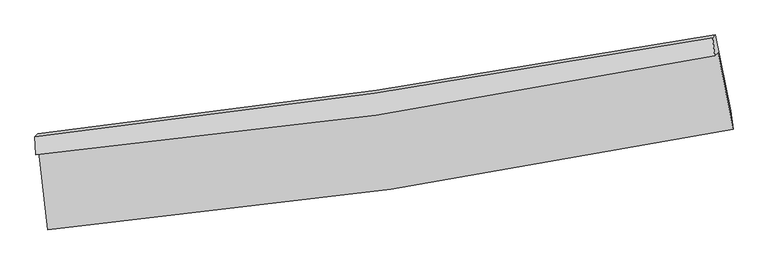
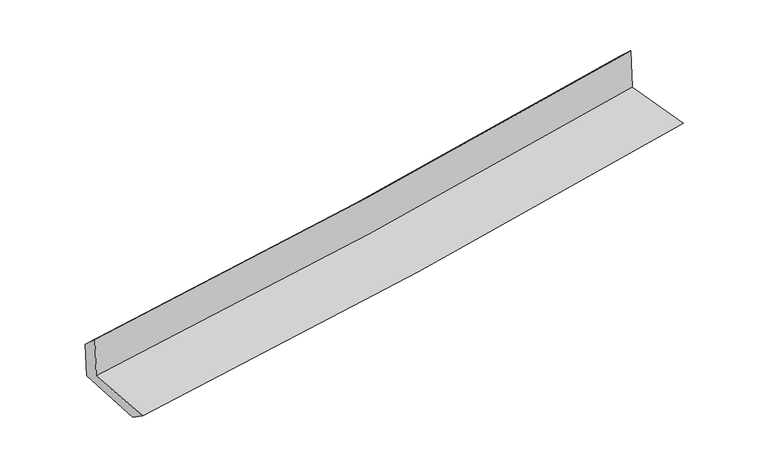
"""IFC4 building model written with IfcOpenShell, lengths in millimetres: proxy geometry."""

from ifc_helpers import new_model, si_unit, frame, origin, place, context, project, spatial, source, transform, mapped, element, save
from ifc_brep_helpers import plane_surface, spline_curve, spline_surface, advanced_brep


def generic_models_a698467e(model_context):
    return source(origin(), model_context, "Body", "AdvancedBrep", [
        advanced_brep(
        [(-2916.8870231, -1893.5718154, 1645.5788341), (-2842.3389684, -2564.4987832, 1608.461744), (2993.1273632, -1707.4953367, 2103.7425366), (2865.7955779, -1054.5873459, 2130.7249143), (-2945.5681617, -1922.5668088, 2050.4160662), (2836.7557881, -1083.9449151, 2540.6245447), (-2950.8683909, -1770.3666799, 1910.9117864), (2819.3494328, -928.0769193, 2393.4370066), (-2926.0107046, -1745.2369784, 1560.0429787), (2842.7240295, -904.4465368, 2063.5021618), (-2850.8216282, -2407.2511326, 1502.6356994), (2971.8303245, -1551.0911918, 2001.3496458)],
        [
            (0, 1),
            (1, 2, spline_curve(3, [(-2842.3389684, -2564.4987832, 1608.461744), (-1865.015324261, -2475.843798971, 1709.124507768), (-890.902753289, -2360.270042764, 1800.673520716), (1054.275052641, -2074.789689675, 1965.830586515), (2025.317925342, -1904.695630095, 2039.375170994), (2993.1273632, -1707.4953367, 2103.7425366)], [4, 2, 4], [0.0, 9.652184502495466, 19.337919560345938])),
            (2, 3),
            (3, 0, spline_curve(3, [(2865.7955779, -1054.5873459, 2130.7249143), (1906.963562784, -1251.720927181, 2069.607995499), (944.815533879, -1420.274891755, 1998.533307263), (-982.768266059, -1699.738730108, 1836.74908082), (-1948.181104424, -1810.846254981, 1746.108408983), (-2916.8870231, -1893.5718154, 1645.5788341)], [4, 2, 4], [0.0, 9.685735057850472, 19.337919560345938])),
            (4, 0),
            (3, 5),
            (5, 4, spline_curve(3, [(2836.7557881, -1083.9449151, 2540.6245447), (1878.105205732, -1280.895078182, 2476.946684611), (916.077727089, -1449.327173685, 2404.170415641), (-1011.386943354, -1728.670578526, 2240.704666221), (-1976.800781549, -1839.779114625, 2150.078109381), (-2945.5681617, -1922.5668088, 2050.4160662)], [4, 2, 4], [0.0, 9.640418924972824, 19.24744426578751])),
            (6, 4),
            (5, 7),
            (7, 6, spline_curve(3, [(2819.3494328, -928.0769193, 2393.4370066), (1860.779167858, -1102.820066444, 2314.05090546), (899.804126413, -1260.474635267, 2234.076637648), (-1023.618445964, -1541.119706802, 2073.230830114), (-1986.049345314, -1664.228391747, 1992.363357777), (-2950.8683909, -1770.3666799, 1910.9117864)], [4, 2, 4], [0.0, 9.62838609698208, 19.223420290489955])),
            (8, 6),
            (7, 9),
            (9, 8, spline_curve(3, [(2842.7240295, -904.4465368, 2063.5021618), (1884.165869176, -1079.177446812, 1983.945202658), (923.320889407, -1236.700530457, 1902.13509875), (-999.606503875, -1516.84500473, 1734.299788933), (-1961.673101968, -1639.585401419, 1648.290164908), (-2926.0107046, -1745.2369784, 1560.0429787)], [4, 2, 4], [0.0, 9.617063123486721, 19.20081356530809])),
            (10, 8),
            (9, 11),
            (11, 10, spline_curve(3, [(2971.8303245, -1551.0911918, 2001.3496458), (2005.441875457, -1737.024182546, 1925.135444118), (1036.179838114, -1901.423828411, 1845.390628913), (-904.724019699, -2186.661554577, 1679.128229829), (-1876.345966241, -2307.648555385, 1592.635062798), (-2850.8216282, -2407.2511326, 1502.6356994)], [4, 2, 4], [0.0, 9.662847141920176, 19.292223010262703])),
            (1, 10),
            (11, 2),
        ],
        [
            spline_surface(3, 3, [[(-2916.8870231, -1893.5718154, 1645.5788341), (-1948.18110431, -1810.846254928, 1746.108409122), (-982.768266074, -1699.738729981, 1836.749080901), (944.815533894, -1420.274891883, 1998.533307182), (1906.963562692, -1251.720927046, 2069.607995518), (2865.7955779, -1054.5873459, 2130.7249143)], [(-2892.037671554, -2117.214137981, 1633.206470727), (-1920.459177655, -2032.512102932, 1733.780442016), (-952.146428459, -1919.915834291, 1824.723894225), (981.302040105, -1638.446491097, 1987.632400281), (1946.415016906, -1469.379161412, 2059.530387345), (2908.239506334, -1272.223342856, 2121.730788405)], [(-2867.188319946, -2340.856460619, 1620.834107373), (-1892.737250938, -2254.177950992, 1721.452474927), (-921.524590817, -2140.092938602, 1812.698707489), (1017.788546343, -1856.618090313, 1976.731493319), (1985.866471119, -1687.037395712, 2049.452779156), (2950.683434766, -1489.859339744, 2112.736662495)], [(-2842.3389684, -2564.4987832, 1608.461744), (-1865.015324282, -2475.843798996, 1709.12450782), (-890.902753202, -2360.270042912, 1800.673520813), (1054.275052554, -2074.789689527, 1965.830586418), (2025.317925333, -1904.695630078, 2039.375170983), (2993.1273632, -1707.4953367, 2103.7425366)]], [4, 4], [4, 2, 4], [0.0, 2.185256499189293], [0.0, 9.652184502495466, 19.337919560345938]),
            spline_surface(3, 3, [[(-2945.5681617, -1922.5668088, 2050.4160662), (-1976.800781653, -1839.779114507, 2150.078109233), (-1011.386943446, -1728.670578674, 2240.70466632), (916.077727181, -1449.327173537, 2404.170415542), (1878.105205594, -1280.895078145, 2476.946684606), (2836.7557881, -1083.9449151, 2540.6245447)], [(-2936.007782164, -1912.901811005, 1915.47032217), (-1967.260889203, -1830.134827986, 2015.421542533), (-1001.847384317, -1719.026629122, 2106.052804487), (925.65699609, -1439.643079664, 2268.958046062), (1887.724657955, -1271.170361097, 2341.167121548), (2846.435718029, -1074.159058685, 2403.991334538)], [(-2926.447402636, -1903.236813195, 1780.52457813), (-1957.720996761, -1820.490541449, 1880.764975823), (-992.307825202, -1709.382679533, 1971.400942733), (935.236264985, -1429.958985755, 2133.745676661), (1897.34411033, -1261.445644094, 2205.387558576), (2856.115647971, -1064.373202315, 2267.358124462)], [(-2916.8870231, -1893.5718154, 1645.5788341), (-1948.18110431, -1810.846254928, 1746.108409122), (-982.768266074, -1699.738729981, 1836.749080901), (944.815533894, -1420.274891883, 1998.533307182), (1906.963562692, -1251.720927046, 2069.607995518), (2865.7955779, -1054.5873459, 2130.7249143)]], [4, 4], [4, 2, 4], [0.0, 1.3348037988190293], [0.0, 9.607025340814687, 19.24744426578751]),
            spline_surface(3, 3, [[(-2950.8683909, -1770.3666799, 1910.9117864), (-1986.049345462, -1664.228391864, 1992.363357735), (-1023.618445916, -1541.11970694, 2073.230830023), (899.804126365, -1260.474635129, 2234.076637739), (1860.779168013, -1102.820066473, 2314.050905541), (2819.3494328, -928.0769193, 2393.4370066)], [(-2949.101647826, -1821.100056223, 1957.413212996), (-1982.966490852, -1722.745299435, 2044.934941563), (-1019.541278415, -1603.636664162, 2129.055442135), (905.228659981, -1323.425481242, 2290.774563687), (1866.554513851, -1162.178403693, 2368.349498578), (2825.151551212, -980.032917896, 2442.499519315)], [(-2947.334904774, -1871.833432477, 2003.914639604), (-1979.883636264, -1781.262206936, 2097.506525405), (-1015.464110946, -1666.153621451, 2184.880054207), (910.653193565, -1386.376327423, 2347.472489594), (1872.329859755, -1221.536740925, 2422.648091569), (2830.953669688, -1031.988916504, 2491.562031985)], [(-2945.5681617, -1922.5668088, 2050.4160662), (-1976.800781653, -1839.779114507, 2150.078109233), (-1011.386943446, -1728.670578674, 2240.70466632), (916.077727181, -1449.327173537, 2404.170415542), (1878.105205594, -1280.895078145, 2476.946684606), (2836.7557881, -1083.9449151, 2540.6245447)]], [4, 4], [4, 2, 4], [0.0, 0.8307298476560309], [0.0, 9.595034193507875, 19.223420290489955]),
            spline_surface(3, 3, [[(-2926.0107046, -1745.2369784, 1560.0429787), (-1961.673101976, -1639.585401557, 1648.290165044), (-999.606503886, -1516.845004664, 1734.299788801), (923.320889418, -1236.700530522, 1902.135098882), (1884.165869332, -1079.177446895, 1983.945202798), (2842.7240295, -904.4465368, 2063.5021618)], [(-2934.296600026, -1753.613545534, 1676.999247949), (-1969.798516464, -1647.799731627, 1762.98122929), (-1007.610484583, -1524.936572106, 1847.276802559), (915.48196838, -1244.625232074, 2012.782278518), (1876.370302237, -1087.058320085, 2093.980437036), (2834.932497279, -912.323330964, 2173.480443391)], [(-2942.582495474, -1761.990112766, 1793.955517151), (-1977.923930975, -1656.014061793, 1877.672293489), (-1015.614465219, -1533.028139498, 1960.253816266), (907.643047403, -1252.549933576, 2123.429458103), (1868.574735107, -1094.939193283, 2204.015671302), (2827.140965021, -920.200125136, 2283.458725009)], [(-2950.8683909, -1770.3666799, 1910.9117864), (-1986.049345462, -1664.228391864, 1992.363357735), (-1023.618445916, -1541.11970694, 2073.230830023), (899.804126365, -1260.474635129, 2234.076637739), (1860.779168013, -1102.820066473, 2314.050905541), (2819.3494328, -928.0769193, 2393.4370066)]], [4, 4], [4, 2, 4], [0.0, 1.1060431641768602], [0.0, 9.583750441821367, 19.20081356530809]),
            spline_surface(3, 3, [[(-2850.8216282, -2407.2511326, 1502.6356994), (-1876.345966268, -2307.648555445, 1592.635062879), (-904.724019541, -2186.66155449, 1679.12822974), (1036.179837955, -1901.423828498, 1845.390629002), (2005.441875433, -1737.024182528, 1925.135444265), (2971.8303245, -1551.0911918, 2001.3496458)], [(-2875.884653674, -2186.579747891, 1521.771459163), (-1904.788344844, -2084.960837506, 1611.186763597), (-936.351514311, -1963.389371208, 1697.518749425), (998.560188454, -1679.849395833, 1864.305452294), (1965.01654006, -1517.741937339, 1944.738697114), (2928.794892828, -1335.542973489, 2022.067151138)], [(-2900.947679126, -1965.908363109, 1540.907218937), (-1933.2307234, -1862.273119495, 1629.738464326), (-967.979009116, -1740.117187946, 1715.909269116), (960.940538919, -1458.274963187, 1883.220275591), (1924.591204705, -1298.459692084, 1964.341949949), (2885.759461172, -1119.994755111, 2042.784656462)], [(-2926.0107046, -1745.2369784, 1560.0429787), (-1961.673101976, -1639.585401557, 1648.290165044), (-999.606503886, -1516.845004664, 1734.299788801), (923.320889418, -1236.700530522, 1902.135098882), (1884.165869332, -1079.177446895, 1983.945202798), (2842.7240295, -904.4465368, 2063.5021618)]], [4, 4], [4, 2, 4], [0.0, 2.223152206513132], [0.0, 9.629375868342526, 19.292223010262703]),
            spline_surface(3, 3, [[(-2842.3389684, -2564.4987832, 1608.461744), (-1865.015324282, -2475.843798996, 1709.12450782), (-890.902753202, -2360.270042912, 1800.673520813), (1054.275052554, -2074.789689527, 1965.830586418), (2025.317925333, -1904.695630078, 2039.375170983), (2993.1273632, -1707.4953367, 2103.7425366)], [(-2845.166521657, -2512.082899665, 1573.186395796), (-1868.792204935, -2419.778717811, 1670.294692836), (-895.509841978, -2302.400546771, 1760.158423767), (1048.243314357, -2017.001069184, 1925.683933924), (2018.692575386, -1848.805147539, 2001.295262089), (2986.02835032, -1655.360621711, 2069.611573013)], [(-2847.994074943, -2459.667016135, 1537.911047604), (-1872.569085616, -2363.71363663, 1631.464877864), (-900.116930764, -2244.53105063, 1719.643326787), (1042.211576152, -1959.212448841, 1885.537281496), (2012.06722538, -1792.914665067, 1963.215353158), (2978.92933738, -1603.225906789, 2035.480609387)], [(-2850.8216282, -2407.2511326, 1502.6356994), (-1876.345966268, -2307.648555445, 1592.635062879), (-904.724019541, -2186.66155449, 1679.12822974), (1036.179837955, -1901.423828498, 1845.390629002), (2005.441875433, -1737.024182528, 1925.135444265), (2971.8303245, -1551.0911918, 2001.3496458)]], [4, 4], [4, 2, 4], [0.0, 0.6959037843456101], [0.0, 9.686020762316009, 19.40570969329081]),
            plane_surface(frame((2888.2637527, -1204.9403743, 2205.5634683), z_axis=(0.9787782239781984, 0.18746328138152885, 0.0827689941931984), x_axis=(-0.07048931134250216, -0.07126066869121504, 0.9949639059202805))),
            plane_surface(frame((-2905.4158128, -2050.5820331, 1713.0078515), z_axis=(-0.9913335194982066, -0.1058443066389569, -0.07781282587991213), x_axis=(-0.11026587151397706, 0.9923846729333663, 0.05490080606146686))),
        ],
        [
            (0, [[1, 2, 3, 4]]),
            (1, [[5, -4, 6, 7]]),
            (2, [[8, -7, 9, 10]]),
            (3, [[11, -10, 12, 13]]),
            (4, [[14, -13, 15, 16]]),
            (5, [[17, -16, 18, -2]]),
            (6, [[-12, -9, -6, -3, -18, -15]]),
            (7, [[-1, -5, -8, -11, -14, -17]]),
        ],
    ),
    ])


if __name__ == "__main__":
    model = new_model("IFC4")
    model_context = context("Model", 3, world=origin())
    ifc_project = project(units=[si_unit("LENGTHUNIT", "METRE", prefix="MILLI")], contexts=[model_context])
    site = spatial("IfcSite", under=ifc_project)
    building = spatial("IfcBuilding", under=site)
    placement = place(None, origin())
    generic_models_shape = generic_models_a698467e(model_context)
    element("IfcBuildingElementProxy", 1, Name="Generic Models", at=placement, inside=building, context=model_context, shape_type="MappedRepresentation", body=[
        mapped(generic_models_shape, transform((0.0, 0.0, 0.0), x_axis=(1.0, 0.0, 0.0), y_axis=(0.0, 1.0, 0.0), z_axis=(0.0, 0.0, 1.0))),
    ])
    save(model, "model.ifc")
